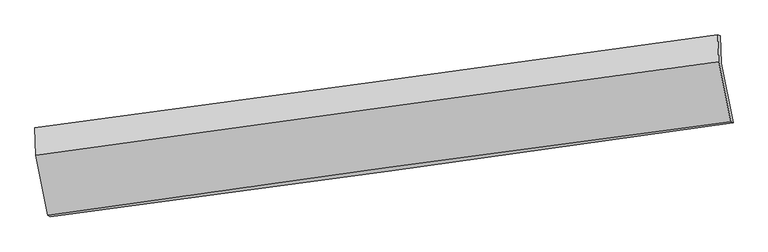
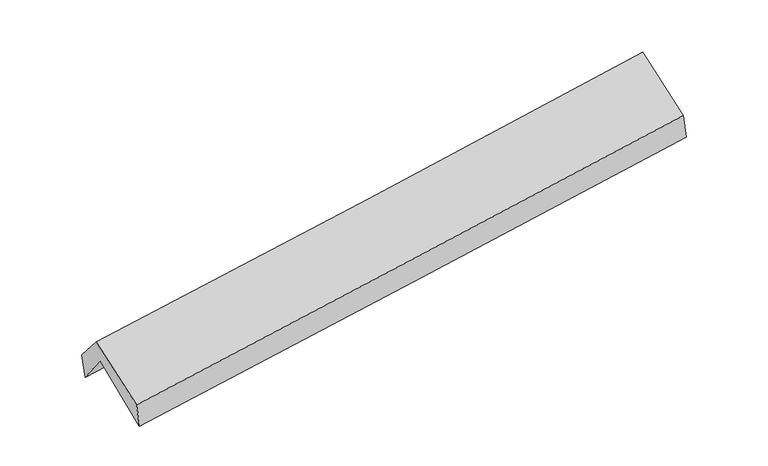
"""IFC4 building model written with IfcOpenShell, lengths in millimetres: proxy geometry."""

from ifc_helpers import new_model, si_unit, frame, origin, place, context, project, spatial, source, transform, mapped, element, save
from ifc_brep_helpers import plane_surface, spline_curve, spline_surface, advanced_brep


def generic_models_aca38cfc(model_context):
    return source(origin(), model_context, "Body", "AdvancedBrep", [
        advanced_brep(
        [(-2908.41484, -2491.6822313, 1437.512689), (-3013.5122533, -1986.7810948, 1867.2377018), (2953.3670507, -1152.405833, 2337.2302283), (3058.8642405, -1672.8255533, 1927.8263114), (-3019.9449327, -1737.0763686, 1540.2572409), (2947.1805664, -912.2579488, 2022.7641506), (-3042.7544434, -1715.2921068, 1775.2783289), (2924.8481811, -903.5934094, 2273.3168162), (-3034.0883043, -1953.5886786, 2057.3819886), (2933.3948015, -1138.6035254, 2551.5298566), (-2929.5057417, -2478.5989811, 1666.2245462), (3037.9197788, -1663.3247459, 2160.587794)],
        [
            (0, 1),
            (1, 2, spline_curve(3, [(-3013.5122533, -1986.7810948, 1867.2377018), (-2018.002413427, -1850.399935111, 1937.636340713), (-1023.004988838, -1712.677717865, 2012.001926408), (965.954768468, -1434.552602856, 2168.66618372), (1959.917111787, -1294.149732889, 2250.964773386), (2953.3670507, -1152.405833, 2337.2302283)], [4, 2, 4], [0.0, 9.913425523511888, 19.826748755574943])),
            (2, 3),
            (3, 0, spline_curve(3, [(3058.8642405, -1672.8255533, 1927.8263114), (2064.956430961, -1814.568479039, 1846.983082127), (1070.731836448, -1953.677659731, 1765.702212147), (-918.361183706, -2226.629940302, 1602.264347034), (-1913.229616238, -2360.472985345, 1520.107343125), (-2908.41484, -2491.6822313, 1437.512689)], [4, 2, 4], [0.0, 9.913323232063055, 19.826748755574943])),
            (1, 4),
            (4, 5, spline_curve(3, [(-3019.9449327, -1737.0763686, 1540.2572409), (-2024.259884069, -1607.496500665, 1619.561956839), (-1029.15433873, -1473.971323388, 1699.423434063), (959.887482336, -1199.031768698, 1860.259082143), (1953.823770109, -1057.617472846, 1941.233241184), (2947.1805664, -912.2579488, 2022.7641506)], [4, 2, 4], [0.0, 9.913494252086084, 19.82688621201416])),
            (5, 2),
            (4, 6),
            (6, 7, spline_curve(3, [(-3042.7544434, -1715.2921068, 1775.2783289), (-2047.196453553, -1581.628509304, 1849.494444908), (-1052.114676592, -1447.154799361, 1928.105947352), (937.086188578, -1176.588550362, 2094.118866943), (1931.205286366, -1040.496027663, 2181.520193865), (2924.8481811, -903.5934094, 2273.3168162)], [4, 2, 4], [0.0, 9.91338191299155, 19.82666153498426])),
            (7, 5),
            (6, 8),
            (8, 9, spline_curve(3, [(-3034.0883043, -1953.5886786, 2057.3819886), (-2038.668348552, -1816.129499812, 2127.104765319), (-1043.665548157, -1679.484135202, 2203.145387651), (945.495478548, -1407.822433973, 2367.861474335), (1939.653713343, -1272.806081158, 2456.536807872), (2933.3948015, -1138.6035254, 2551.5298566)], [4, 2, 4], [0.0, 9.913458994908108, 19.82681569802201])),
            (9, 7),
            (8, 10),
            (10, 11, spline_curve(3, [(-2929.5057417, -2478.5989811, 1666.2245462), (-1935.103586689, -2336.030385947, 1739.754079294), (-940.614482744, -2196.806235576, 1817.716018516), (1048.527359034, -1925.048225895, 1982.5038595), (2043.18009548, -1792.51429818, 2069.329669445), (3037.9197788, -1663.3247459, 2160.587794)], [4, 2, 4], [0.0, 9.913488758159168, 19.82687522421702])),
            (11, 9),
            (10, 0),
            (3, 11),
        ],
        [
            spline_surface(3, 3, [[(-2908.41484, -2491.6822313, 1437.512689), (-1913.229616285, -2360.472985329, 1520.107342967), (-918.361183767, -2226.629940193, 1602.264347039), (1070.73183651, -1953.677659841, 1765.702212141), (2064.956430863, -1814.568478975, 1846.983082202), (3058.8642405, -1672.8255533, 1927.8263114)], [(-2943.447311104, -2323.38185247, 1580.754359916), (-1948.153882053, -2190.448635249, 1659.283675479), (-953.242452163, -2055.312532714, 1738.843540126), (1035.80614716, -1780.635974165, 1900.023535984), (2029.943324533, -1641.095563608, 1981.643645927), (3023.698510571, -1499.352313201, 2064.294283687)], [(-2978.479782196, -2155.08147363, 1723.996030884), (-1983.078147808, -2020.424285158, 1798.460008044), (-988.123720497, -1883.995125311, 1875.422733292), (1000.880457872, -1607.594288565, 2034.344859906), (1994.93021819, -1467.622648237, 2116.304209691), (2988.532780629, -1325.879073099, 2200.762256013)], [(-3013.5122533, -1986.7810948, 1867.2377018), (-2018.002413576, -1850.399935078, 1937.636340555), (-1023.004988893, -1712.677717832, 2012.001926379), (965.954768523, -1434.552602889, 2168.666183749), (1959.917111859, -1294.14973287, 2250.964773416), (2953.3670507, -1152.405833, 2337.2302283)]], [4, 4], [4, 2, 4], [0.0, 2.1834165626294673], [0.0, 9.913425523511888, 19.826748755574943]),
            spline_surface(3, 3, [[(-3013.5122533, -1986.7810948, 1867.2377018), (-2018.002413576, -1850.399935078, 1937.636340555), (-1023.004988893, -1712.677717832, 2012.001926379), (965.954768523, -1434.552602889, 2168.666183749), (1959.917111859, -1294.14973287, 2250.964773416), (2953.3670507, -1152.405833, 2337.2302283)], [(-3015.656479779, -1903.546186057, 1758.244214845), (-2020.088237035, -1769.4321236, 1831.611545942), (-1025.054772168, -1633.108919711, 1907.809095618), (963.932339807, -1356.045658189, 2065.863816542), (1957.88599798, -1215.305646149, 2147.720929368), (2951.304889283, -1072.356538264, 2232.408202382)], [(-3017.800706221, -1820.311277343, 1649.250727855), (-2022.174060459, -1688.46431215, 1725.586751293), (-1027.104555468, -1553.540121504, 1803.616264848), (961.909911065, -1277.538713403, 1963.061449326), (1955.854884051, -1136.461559435, 2044.477085375), (2949.242727817, -992.307243536, 2127.586176518)], [(-3019.9449327, -1737.0763686, 1540.2572409), (-2024.259883918, -1607.496500672, 1619.561956679), (-1029.154338743, -1473.971323383, 1699.423434088), (959.887482349, -1199.031768703, 1860.259082119), (1953.823770171, -1057.617472713, 1941.233241328), (2947.1805664, -912.2579488, 2022.7641506)]], [4, 4], [4, 2, 4], [0.0, 1.281905958478608], [0.0, 9.913494252086084, 19.82688621201416]),
            spline_surface(3, 3, [[(-3019.9449327, -1737.0763686, 1540.2572409), (-2024.259883918, -1607.496500672, 1619.561956679), (-1029.154338743, -1473.971323383, 1699.423434088), (959.887482349, -1199.031768703, 1860.259082119), (1953.823770171, -1057.617472713, 1941.233241328), (2947.1805664, -912.2579488, 2022.7641506)], [(-3027.548102923, -1729.814947996, 1618.597603567), (-2031.905407096, -1598.873836926, 1696.206119473), (-1036.80778467, -1465.032482072, 1775.650938484), (952.287051062, -1191.550695897, 1938.212343772), (1946.284275563, -1051.910324408, 2021.328892229), (2939.736437965, -909.369769006, 2106.28170582)], [(-3035.151273177, -1722.553527404, 1696.937966233), (-2039.550930305, -1590.251173193, 1772.850282265), (-1044.461230586, -1456.093640756, 1851.87844285), (944.686619786, -1184.069623084, 2016.165605395), (1938.744780958, -1046.203176085, 2101.42454307), (2932.292309535, -906.481589194, 2189.79926098)], [(-3042.7544434, -1715.2921068, 1775.2783289), (-2047.196453483, -1581.628509448, 1849.494445059), (-1052.114676513, -1447.154799446, 1928.105947247), (937.086188499, -1176.588550277, 2094.118867048), (1931.20528635, -1040.49602778, 2181.520193971), (2924.8481811, -903.5934094, 2273.3168162)]], [4, 4], [4, 2, 4], [0.0, 0.7667379373528742], [0.0, 9.91338191299155, 19.82666153498426]),
            spline_surface(3, 3, [[(-3042.7544434, -1715.2921068, 1775.2783289), (-2047.196453483, -1581.628509448, 1849.494445059), (-1052.114676513, -1447.154799446, 1928.105947247), (937.086188499, -1176.588550277, 2094.118867048), (1931.20528635, -1040.49602778, 2181.520193971), (2924.8481811, -903.5934094, 2273.3168162)], [(-3039.865730388, -1794.72429741, 1869.312882114), (-2044.353751812, -1659.795506292, 1942.031218473), (-1049.298300392, -1524.597911289, 2019.785760755), (939.889285177, -1253.666511531, 2185.366402757), (1934.021428728, -1117.932712274, 2273.192398562), (2927.697054564, -981.930114729, 2366.054496342)], [(-3036.977017312, -1874.15648799, 1963.347435386), (-2041.511050079, -1737.962503105, 2034.567991946), (-1046.481924267, -1602.041023213, 2111.465574284), (942.692381859, -1330.744472865, 2276.613938486), (1936.837571113, -1195.369396782, 2364.864603127), (2930.545928036, -1060.266820071, 2458.792176458)], [(-3034.0883043, -1953.5886786, 2057.3819886), (-2038.668348409, -1816.12949995, 2127.104765361), (-1043.665548146, -1679.484135056, 2203.145387791), (945.495478537, -1407.822434119, 2367.861474195), (1939.653713491, -1272.806081276, 2456.536807719), (2933.3948015, -1138.6035254, 2551.5298566)]], [4, 4], [4, 2, 4], [0.0, 1.178749690888699], [0.0, 9.913458994908108, 19.82681569802201]),
            spline_surface(3, 3, [[(-3034.0883043, -1953.5886786, 2057.3819886), (-2038.668348409, -1816.12949995, 2127.104765361), (-1043.665548146, -1679.484135056, 2203.145387791), (945.495478537, -1407.822434119, 2367.861474195), (1939.653713491, -1272.806081276, 2456.536807719), (2933.3948015, -1138.6035254, 2551.5298566)], [(-2999.227450083, -2128.59211277, 1926.996174477), (-2004.146761111, -1989.429795251, 1997.98787004), (-1009.315193043, -1851.924835177, 2074.66893143), (979.839438728, -1580.231031424, 2239.408935946), (1974.162507497, -1446.042153538, 2327.467761592), (2968.236460577, -1313.510598898, 2421.215835723)], [(-2964.366595917, -2303.59554693, 1796.610360323), (-1969.625173862, -2162.730090541, 1868.870974688), (-974.964837931, -2024.365535307, 1946.192474999), (1014.183398928, -1752.639628738, 2110.956397627), (2008.671301572, -1619.278225804, 2198.398715495), (3003.078119723, -1488.417672402, 2290.901814877)], [(-2929.5057417, -2478.5989811, 1666.2245462), (-1935.103586564, -2336.030385842, 1739.754079367), (-940.614482828, -2196.806235428, 1817.716018638), (1048.527359118, -1925.048226043, 1982.503859378), (2043.180095578, -1792.514298065, 2069.329669369), (3037.9197788, -1663.3247459, 2160.587794)]], [4, 4], [4, 2, 4], [0.0, 2.1431646211965405], [0.0, 9.913488758159168, 19.82687522421702]),
            spline_surface(3, 3, [[(-2929.5057417, -2478.5989811, 1666.2245462), (-1935.103586564, -2336.030385842, 1739.754079367), (-940.614482828, -2196.806235428, 1817.716018638), (1048.527359118, -1925.048226043, 1982.503859378), (2043.180095578, -1792.514298065, 2069.329669369), (3037.9197788, -1663.3247459, 2160.587794)], [(-2922.475441123, -2482.960064496, 1589.987260481), (-1927.812263127, -2344.177919001, 1666.538500581), (-933.196716455, -2206.747470374, 1745.898794769), (1055.928851602, -1934.591370667, 1910.23664363), (2050.438874013, -1799.865691703, 1995.214140325), (3044.90126604, -1666.491681702, 2083.000633146)], [(-2915.445140577, -2487.321147904, 1513.749974719), (-1920.520939722, -2352.325452171, 1593.322921753), (-925.778950141, -2216.688705247, 1674.081570908), (1063.330344026, -1944.134515217, 1837.96942789), (2057.697652428, -1807.217085337, 1921.098611245), (3051.88275326, -1669.658617498, 2005.413472254)], [(-2908.41484, -2491.6822313, 1437.512689), (-1913.229616285, -2360.472985329, 1520.107342967), (-918.361183767, -2226.629940193, 1602.264347039), (1070.73183651, -1953.677659841, 1765.702212141), (2064.956430863, -1814.568478975, 1846.983082202), (3058.8642405, -1672.8255533, 1927.8263114)]], [4, 4], [4, 2, 4], [0.0, 0.7192379766110311], [0.0, 9.9133278078062, 19.826553325171844]),
            plane_surface(frame((2975.9291032, -1240.501836, 2212.2091929), z_axis=(0.9873898095192601, 0.13458612170764253, 0.08335430343548586), x_axis=(0.15773990119216097, -0.7918631093430817, -0.5899753720566597))),
            plane_surface(frame((-2991.3700859, -2060.5032436, 1723.9820826), z_axis=(-0.9873898095192393, -0.1345861217081641, -0.08335430343489085), x_axis=(-0.0916778159898618, 0.05687020017752282, 0.9941634465152588))),
        ],
        [
            (0, [[1, 2, 3, 4]]),
            (1, [[5, 6, 7, -2]]),
            (2, [[8, 9, 10, -6]]),
            (3, [[11, 12, 13, -9]]),
            (4, [[14, 15, 16, -12]]),
            (5, [[17, -4, 18, -15]]),
            (6, [[-16, -18, -3, -7, -10, -13]]),
            (7, [[-17, -14, -11, -8, -5, -1]]),
        ],
    ),
    ])


if __name__ == "__main__":
    model = new_model("IFC4")
    model_context = context("Model", 3, world=origin())
    ifc_project = project(units=[si_unit("LENGTHUNIT", "METRE", prefix="MILLI")], contexts=[model_context])
    site = spatial("IfcSite", under=ifc_project)
    building = spatial("IfcBuilding", under=site)
    placement = place(None, origin())
    generic_models_shape = generic_models_aca38cfc(model_context)
    element("IfcBuildingElementProxy", 1, Name="Generic Models", at=placement, inside=building, context=model_context, shape_type="MappedRepresentation", body=[
        mapped(generic_models_shape, transform((0.0, 0.0, 0.0), x_axis=(1.0, 0.0, 0.0), y_axis=(0.0, 1.0, 0.0), z_axis=(0.0, 0.0, 1.0))),
    ])
    save(model, "model.ifc")
